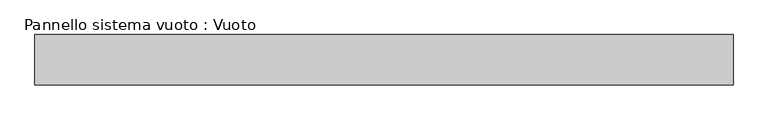
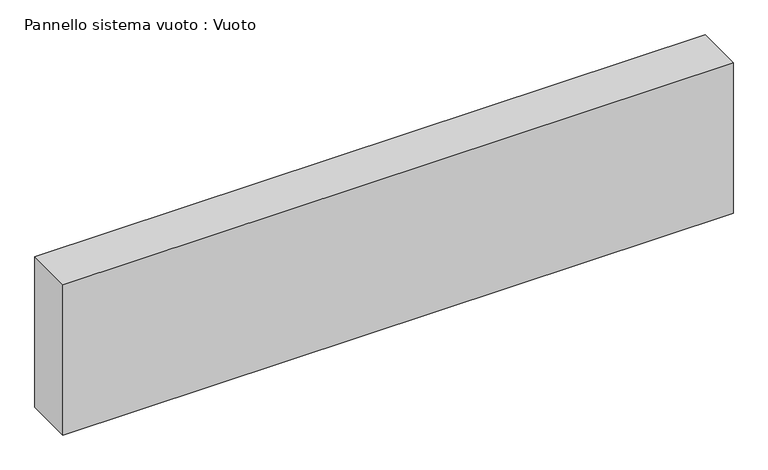
"""IFC4 building model written with IfcOpenShell, lengths in millimetres: plate geometry, Pannello sistema vuoto : Vuoto."""

from ifc_helpers import new_model, si_unit, origin, origin_with_axes, place, context, project, spatial, polyline, outline, extrude, source, transform, mapped, element, save


def pannello_sistema_vuoto_vuoto_ff09cacb(model_context):
    return source(origin(), model_context, "Body", "SweptSolid", [
        extrude(outline(polyline([(695.0, 50.0), (-695.0, 50.0), (-695.0, 150.0), (695.0, 150.0), (695.0, 50.0)])), origin_with_axes(), (0.0, 0.0, 1.0), 330.0),
    ])


if __name__ == "__main__":
    model = new_model("IFC4")
    model_context = context("Model", 3, world=origin())
    ifc_project = project(units=[si_unit("LENGTHUNIT", "METRE", prefix="MILLI")], contexts=[model_context])
    site = spatial("IfcSite", under=ifc_project)
    building = spatial("IfcBuilding", under=site)
    placement = place(None, origin())
    pannello_sistema_vuoto_vuoto_shape = pannello_sistema_vuoto_vuoto_ff09cacb(model_context)
    element("IfcPlate", 1, ObjectType="Pannello sistema vuoto : Vuoto", at=placement, inside=building, context=model_context, shape_type="MappedRepresentation", body=[
        mapped(pannello_sistema_vuoto_vuoto_shape, transform((0.0, 0.0, 0.0), x_axis=(1.0, 0.0, 0.0), y_axis=(0.0, 1.0, 0.0), z_axis=(0.0, 0.0, 1.0))),
    ])
    save(model, "model.ifc")
